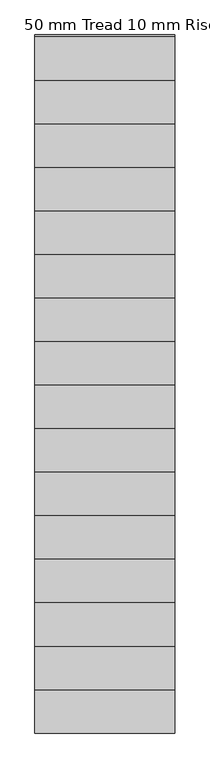
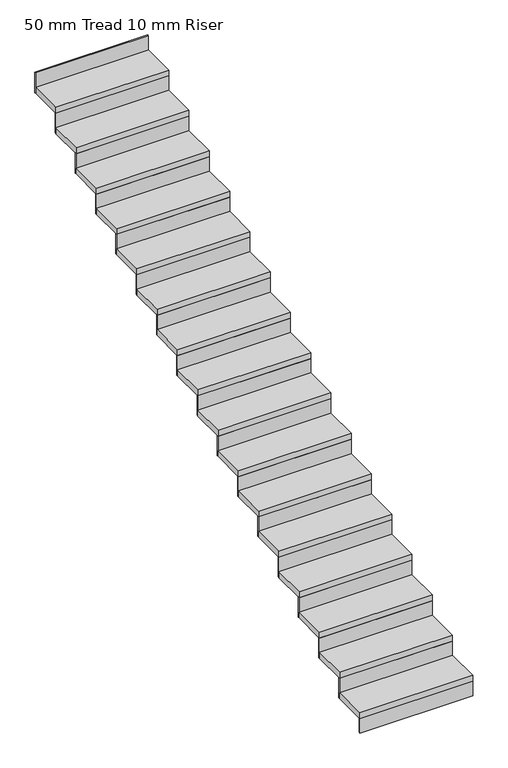
"""IFC4 building model written with IfcOpenShell, lengths in millimetres: stair flight geometry, 50 mm Tread 10 mm Riser."""

from ifc_helpers import new_model, si_unit, frame, origin, origin_with_axes, place, context, project, spatial, polyline, outline, extrude, source, transform, mapped, element, save


def stair_flight_50_mm_tread_10_mm_riser_d7b6f4e0(model_context):
    return source(origin(), model_context, "Body", "SweptSolid", [
        extrude(outline(polyline([(23310.0, 4303.1546094), (23310.0, 4293.1546094), (22410.0, 4293.1546094), (22410.0, 4303.1546094), (23310.0, 4303.1546094)])), origin_with_axes(), (0.0, 0.0, 1.0), 120.5882353),
        extrude(outline(polyline([(22410.0, 4573.1546094), (23310.0, 4573.1546094), (23310.0, 4293.1546094), (22410.0, 4293.1546094), (22410.0, 4573.1546094)])), frame((0.0, 0.0, 120.5882353), z_axis=(0.0, 0.0, 1.0), x_axis=(1.0, 0.0, 0.0)), (0.0, 0.0, 1.0), 50.0),
        extrude(outline(polyline([(23310.0, 4583.1546094), (23310.0, 4573.1546094), (22410.0, 4573.1546094), (22410.0, 4583.1546094), (23310.0, 4583.1546094)])), frame((0.0, 0.0, 120.5882353), z_axis=(0.0, 0.0, 1.0), x_axis=(1.0, 0.0, 0.0)), (0.0, 0.0, 1.0), 170.5882353),
        extrude(outline(polyline([(22410.0, 4853.1546094), (23310.0, 4853.1546094), (23310.0, 4573.1546094), (22410.0, 4573.1546094), (22410.0, 4853.1546094)])), frame((0.0, 0.0, 291.1764706), z_axis=(0.0, 0.0, 1.0), x_axis=(1.0, 0.0, 0.0)), (0.0, 0.0, 1.0), 50.0),
        extrude(outline(polyline([(23310.0, 4863.1546094), (23310.0, 4853.1546094), (22410.0, 4853.1546094), (22410.0, 4863.1546094), (23310.0, 4863.1546094)])), frame((0.0, 0.0, 291.1764706), z_axis=(0.0, 0.0, 1.0), x_axis=(1.0, 0.0, 0.0)), (0.0, 0.0, 1.0), 170.5882353),
        extrude(outline(polyline([(22410.0, 5133.1546094), (23310.0, 5133.1546094), (23310.0, 4853.1546094), (22410.0, 4853.1546094), (22410.0, 5133.1546094)])), frame((0.0, 0.0, 461.7647059), z_axis=(0.0, 0.0, 1.0), x_axis=(1.0, 0.0, 0.0)), (0.0, 0.0, 1.0), 50.0),
        extrude(outline(polyline([(23310.0, 5143.1546094), (23310.0, 5133.1546094), (22410.0, 5133.1546094), (22410.0, 5143.1546094), (23310.0, 5143.1546094)])), frame((0.0, 0.0, 461.7647059), z_axis=(0.0, 0.0, 1.0), x_axis=(1.0, 0.0, 0.0)), (0.0, 0.0, 1.0), 170.5882353),
        extrude(outline(polyline([(22410.0, 5413.1546094), (23310.0, 5413.1546094), (23310.0, 5133.1546094), (22410.0, 5133.1546094), (22410.0, 5413.1546094)])), frame((0.0, 0.0, 632.3529412), z_axis=(0.0, 0.0, 1.0), x_axis=(1.0, 0.0, 0.0)), (0.0, 0.0, 1.0), 50.0),
        extrude(outline(polyline([(23310.0, 5423.1546094), (23310.0, 5413.1546094), (22410.0, 5413.1546094), (22410.0, 5423.1546094), (23310.0, 5423.1546094)])), frame((0.0, 0.0, 632.3529412), z_axis=(0.0, 0.0, 1.0), x_axis=(1.0, 0.0, 0.0)), (0.0, 0.0, 1.0), 170.5882353),
        extrude(outline(polyline([(22410.0, 5693.1546094), (23310.0, 5693.1546094), (23310.0, 5413.1546094), (22410.0, 5413.1546094), (22410.0, 5693.1546094)])), frame((0.0, 0.0, 802.9411765), z_axis=(0.0, 0.0, 1.0), x_axis=(1.0, 0.0, 0.0)), (0.0, 0.0, 1.0), 50.0),
        extrude(outline(polyline([(23310.0, 5703.1546094), (23310.0, 5693.1546094), (22410.0, 5693.1546094), (22410.0, 5703.1546094), (23310.0, 5703.1546094)])), frame((0.0, 0.0, 802.9411765), z_axis=(0.0, 0.0, 1.0), x_axis=(1.0, 0.0, 0.0)), (0.0, 0.0, 1.0), 170.5882353),
        extrude(outline(polyline([(22410.0, 5973.1546094), (23310.0, 5973.1546094), (23310.0, 5693.1546094), (22410.0, 5693.1546094), (22410.0, 5973.1546094)])), frame((0.0, 0.0, 973.5294118), z_axis=(0.0, 0.0, 1.0), x_axis=(1.0, 0.0, 0.0)), (0.0, 0.0, 1.0), 50.0),
        extrude(outline(polyline([(23310.0, 5983.1546094), (23310.0, 5973.1546094), (22410.0, 5973.1546094), (22410.0, 5983.1546094), (23310.0, 5983.1546094)])), frame((0.0, 0.0, 973.5294118), z_axis=(0.0, 0.0, 1.0), x_axis=(1.0, 0.0, 0.0)), (0.0, 0.0, 1.0), 170.5882353),
        extrude(outline(polyline([(22410.0, 6253.1546094), (23310.0, 6253.1546094), (23310.0, 5973.1546094), (22410.0, 5973.1546094), (22410.0, 6253.1546094)])), frame((0.0, 0.0, 1144.1176471), z_axis=(0.0, 0.0, 1.0), x_axis=(1.0, 0.0, 0.0)), (0.0, 0.0, 1.0), 50.0),
        extrude(outline(polyline([(23310.0, 6263.1546094), (23310.0, 6253.1546094), (22410.0, 6253.1546094), (22410.0, 6263.1546094), (23310.0, 6263.1546094)])), frame((0.0, 0.0, 1144.1176471), z_axis=(0.0, 0.0, 1.0), x_axis=(1.0, 0.0, 0.0)), (0.0, 0.0, 1.0), 170.5882353),
        extrude(outline(polyline([(22410.0, 6533.1546094), (23310.0, 6533.1546094), (23310.0, 6253.1546094), (22410.0, 6253.1546094), (22410.0, 6533.1546094)])), frame((0.0, 0.0, 1314.7058824), z_axis=(0.0, 0.0, 1.0), x_axis=(1.0, 0.0, 0.0)), (0.0, 0.0, 1.0), 50.0),
        extrude(outline(polyline([(23310.0, 6543.1546094), (23310.0, 6533.1546094), (22410.0, 6533.1546094), (22410.0, 6543.1546094), (23310.0, 6543.1546094)])), frame((0.0, 0.0, 1314.7058824), z_axis=(0.0, 0.0, 1.0), x_axis=(1.0, 0.0, 0.0)), (0.0, 0.0, 1.0), 170.5882353),
        extrude(outline(polyline([(22410.0, 6813.1546094), (23310.0, 6813.1546094), (23310.0, 6533.1546094), (22410.0, 6533.1546094), (22410.0, 6813.1546094)])), frame((0.0, 0.0, 1485.2941176), z_axis=(0.0, 0.0, 1.0), x_axis=(1.0, 0.0, 0.0)), (0.0, 0.0, 1.0), 50.0),
        extrude(outline(polyline([(23310.0, 6823.1546094), (23310.0, 6813.1546094), (22410.0, 6813.1546094), (22410.0, 6823.1546094), (23310.0, 6823.1546094)])), frame((0.0, 0.0, 1485.2941176), z_axis=(0.0, 0.0, 1.0), x_axis=(1.0, 0.0, 0.0)), (0.0, 0.0, 1.0), 170.5882353),
        extrude(outline(polyline([(22410.0, 7093.1546094), (23310.0, 7093.1546094), (23310.0, 6813.1546094), (22410.0, 6813.1546094), (22410.0, 7093.1546094)])), frame((0.0, 0.0, 1655.8823529), z_axis=(0.0, 0.0, 1.0), x_axis=(1.0, 0.0, 0.0)), (0.0, 0.0, 1.0), 50.0),
        extrude(outline(polyline([(23310.0, 7103.1546094), (23310.0, 7093.1546094), (22410.0, 7093.1546094), (22410.0, 7103.1546094), (23310.0, 7103.1546094)])), frame((0.0, 0.0, 1655.8823529), z_axis=(0.0, 0.0, 1.0), x_axis=(1.0, 0.0, 0.0)), (0.0, 0.0, 1.0), 170.5882353),
        extrude(outline(polyline([(22410.0, 7373.1546094), (23310.0, 7373.1546094), (23310.0, 7093.1546094), (22410.0, 7093.1546094), (22410.0, 7373.1546094)])), frame((0.0, 0.0, 1826.4705882), z_axis=(0.0, 0.0, 1.0), x_axis=(1.0, 0.0, 0.0)), (0.0, 0.0, 1.0), 50.0),
        extrude(outline(polyline([(23310.0, 7383.1546094), (23310.0, 7373.1546094), (22410.0, 7373.1546094), (22410.0, 7383.1546094), (23310.0, 7383.1546094)])), frame((0.0, 0.0, 1826.4705882), z_axis=(0.0, 0.0, 1.0), x_axis=(1.0, 0.0, 0.0)), (0.0, 0.0, 1.0), 170.5882353),
        extrude(outline(polyline([(22410.0, 7653.1546094), (23310.0, 7653.1546094), (23310.0, 7373.1546094), (22410.0, 7373.1546094), (22410.0, 7653.1546094)])), frame((0.0, 0.0, 1997.0588235), z_axis=(0.0, 0.0, 1.0), x_axis=(1.0, 0.0, 0.0)), (0.0, 0.0, 1.0), 50.0),
        extrude(outline(polyline([(23310.0, 7663.1546094), (23310.0, 7653.1546094), (22410.0, 7653.1546094), (22410.0, 7663.1546094), (23310.0, 7663.1546094)])), frame((0.0, 0.0, 1997.0588235), z_axis=(0.0, 0.0, 1.0), x_axis=(1.0, 0.0, 0.0)), (0.0, 0.0, 1.0), 170.5882353),
        extrude(outline(polyline([(22410.0, 7933.1546094), (23310.0, 7933.1546094), (23310.0, 7653.1546094), (22410.0, 7653.1546094), (22410.0, 7933.1546094)])), frame((0.0, 0.0, 2167.6470588), z_axis=(0.0, 0.0, 1.0), x_axis=(1.0, 0.0, 0.0)), (0.0, 0.0, 1.0), 50.0),
        extrude(outline(polyline([(23310.0, 7943.1546094), (23310.0, 7933.1546094), (22410.0, 7933.1546094), (22410.0, 7943.1546094), (23310.0, 7943.1546094)])), frame((0.0, 0.0, 2167.6470588), z_axis=(0.0, 0.0, 1.0), x_axis=(1.0, 0.0, 0.0)), (0.0, 0.0, 1.0), 170.5882353),
        extrude(outline(polyline([(22410.0, 8213.1546094), (23310.0, 8213.1546094), (23310.0, 7933.1546094), (22410.0, 7933.1546094), (22410.0, 8213.1546094)])), frame((0.0, 0.0, 2338.2352941), z_axis=(0.0, 0.0, 1.0), x_axis=(1.0, 0.0, 0.0)), (0.0, 0.0, 1.0), 50.0),
        extrude(outline(polyline([(23310.0, 8223.1546094), (23310.0, 8213.1546094), (22410.0, 8213.1546094), (22410.0, 8223.1546094), (23310.0, 8223.1546094)])), frame((0.0, 0.0, 2338.2352941), z_axis=(0.0, 0.0, 1.0), x_axis=(1.0, 0.0, 0.0)), (0.0, 0.0, 1.0), 170.5882353),
        extrude(outline(polyline([(22410.0, 8493.1546094), (23310.0, 8493.1546094), (23310.0, 8213.1546094), (22410.0, 8213.1546094), (22410.0, 8493.1546094)])), frame((0.0, 0.0, 2508.8235294), z_axis=(0.0, 0.0, 1.0), x_axis=(1.0, 0.0, 0.0)), (0.0, 0.0, 1.0), 50.0),
        extrude(outline(polyline([(23310.0, 8503.1546094), (23310.0, 8493.1546094), (22410.0, 8493.1546094), (22410.0, 8503.1546094), (23310.0, 8503.1546094)])), frame((0.0, 0.0, 2508.8235294), z_axis=(0.0, 0.0, 1.0), x_axis=(1.0, 0.0, 0.0)), (0.0, 0.0, 1.0), 170.5882353),
        extrude(outline(polyline([(23310.0, 8783.1546094), (23310.0, 8773.1546094), (22410.0, 8773.1546094), (22410.0, 8783.1546094), (23310.0, 8783.1546094)])), frame((0.0, 0.0, 2679.4117647), z_axis=(0.0, 0.0, 1.0), x_axis=(1.0, 0.0, 0.0)), (0.0, 0.0, 1.0), 170.5882353),
        extrude(outline(polyline([(22410.0, 8773.1546094), (23310.0, 8773.1546094), (23310.0, 8493.1546094), (22410.0, 8493.1546094), (22410.0, 8773.1546094)])), frame((0.0, 0.0, 2679.4117647), z_axis=(0.0, 0.0, 1.0), x_axis=(1.0, 0.0, 0.0)), (0.0, 0.0, 1.0), 50.0),
    ])


if __name__ == "__main__":
    model = new_model("IFC4")
    model_context = context("Model", 3, world=origin())
    ifc_project = project(units=[si_unit("LENGTHUNIT", "METRE", prefix="MILLI")], contexts=[model_context])
    site = spatial("IfcSite", under=ifc_project)
    building = spatial("IfcBuilding", under=site)
    placement = place(None, origin())
    stair_flight_50_mm_tread_10_mm_riser_shape = stair_flight_50_mm_tread_10_mm_riser_d7b6f4e0(model_context)
    element("IfcStairFlight", 1, ObjectType="50 mm Tread 10 mm Riser", at=placement, inside=building, context=model_context, shape_type="MappedRepresentation", body=[
        mapped(stair_flight_50_mm_tread_10_mm_riser_shape, transform((0.0, 0.0, 0.0), x_axis=(1.0, 0.0, 0.0), y_axis=(0.0, 1.0, 0.0), z_axis=(0.0, 0.0, 1.0))),
    ])
    save(model, "model.ifc")
